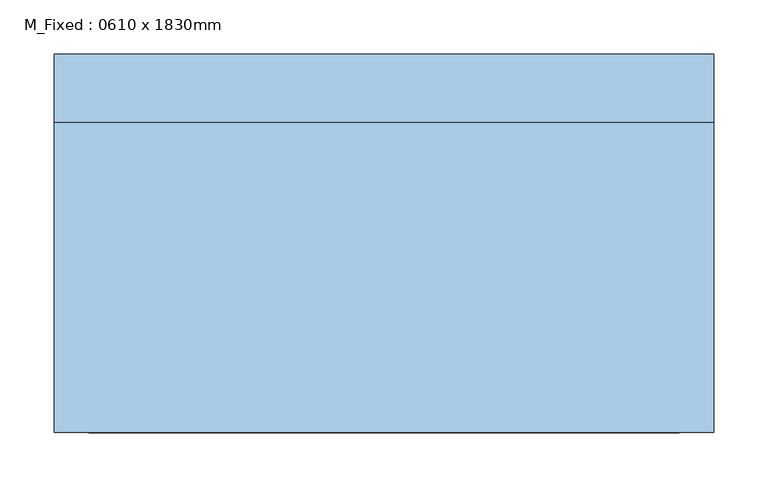
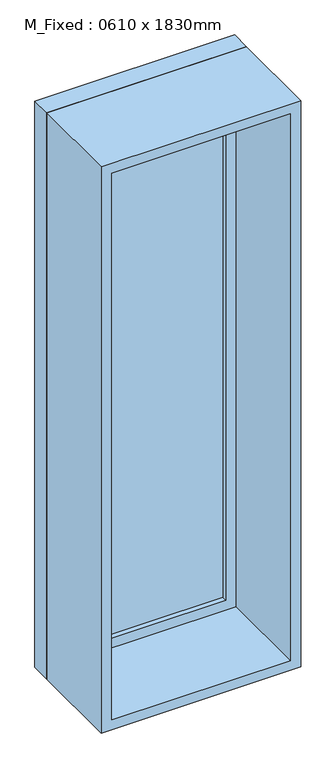
"""IFC4 building model written with IfcOpenShell, lengths in millimetres: window geometry, M_Fixed : 0610 x 1830mm."""

from ifc_helpers import new_model, si_unit, frame, origin, place, context, project, spatial, polyline, outline, extrude, source, transform, mapped, element, save


def m_fixed_0610_x_1830mm_c313a187(model_context):
    return source(origin(), model_context, "Body", "SweptSolid", [
        extrude(outline(polyline([(-242.0, 153.0), (242.0, 153.0), (242.0, 141.0), (-242.0, 141.0), (-242.0, 153.0)])), frame((0.0, 0.0, 368.0), z_axis=(0.0, 0.0, 1.0), x_axis=(1.0, 0.0, 0.0)), (0.0, 0.0, 1.0), 1704.0),
        extrude(outline(polyline([(2116.0, -286.0), (324.0, -286.0), (324.0, 286.0), (2116.0, 286.0), (2116.0, -286.0)]), holes=[polyline([(2072.0, -242.0), (2072.0, 242.0), (368.0, 242.0), (368.0, -242.0), (2072.0, -242.0)])]), frame((0.0, 125.0, 0.0), z_axis=(0.0, 1.0, 0.0), x_axis=(0.0, 0.0, 1.0)), (0.0, 0.0, 1.0), 44.0),
        extrude(outline(polyline([(2135.0, -305.0), (305.0, -305.0), (305.0, 305.0), (2135.0, 305.0), (2135.0, -305.0)]), holes=[polyline([(2116.0, -286.0), (2116.0, 286.0), (324.0, 286.0), (324.0, -286.0), (2116.0, -286.0)])]), frame((0.0, 125.0, 0.0), z_axis=(0.0, 1.0, 0.0), x_axis=(0.0, 0.0, 1.0)), (0.0, 0.0, 1.0), 63.0),
        extrude(outline(polyline([(2135.0, -305.0), (305.0, -305.0), (305.0, 305.0), (2135.0, 305.0), (2135.0, -305.0)]), holes=[polyline([(2103.0, -273.0), (2103.0, 273.0), (337.0, 273.0), (337.0, -273.0), (2103.0, -273.0)])]), frame((0.0, -162.0, 0.0), z_axis=(0.0, 1.0, 0.0), x_axis=(0.0, 0.0, 1.0)), (0.0, 0.0, 1.0), 287.0),
    ])


if __name__ == "__main__":
    model = new_model("IFC4")
    model_context = context("Model", 3, world=origin())
    ifc_project = project(units=[si_unit("LENGTHUNIT", "METRE", prefix="MILLI")], contexts=[model_context])
    site = spatial("IfcSite", under=ifc_project)
    building = spatial("IfcBuilding", under=site)
    placement = place(None, origin())
    m_fixed_0610_x_1830mm_shape = m_fixed_0610_x_1830mm_c313a187(model_context)
    element("IfcWindow", 1, ObjectType="M_Fixed : 0610 x 1830mm", at=placement, inside=building, context=model_context, shape_type="MappedRepresentation", body=[
        mapped(m_fixed_0610_x_1830mm_shape, transform((0.0, 0.0, 0.0), x_axis=(1.0, 0.0, 0.0), y_axis=(0.0, 1.0, 0.0), z_axis=(0.0, 0.0, 1.0))),
    ])
    save(model, "model.ifc")
